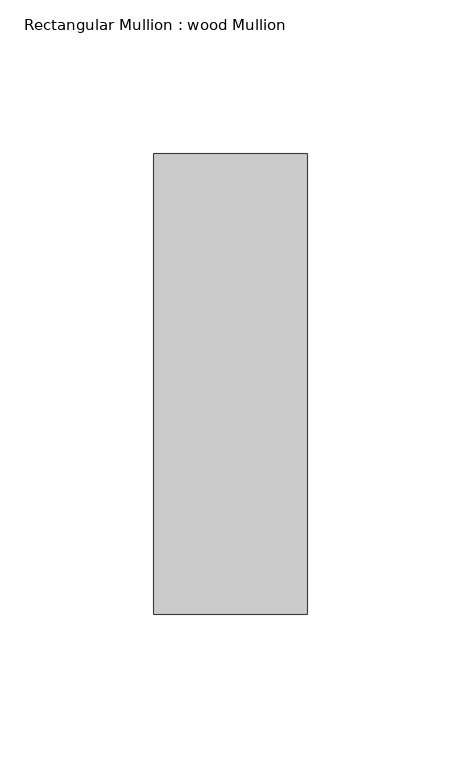
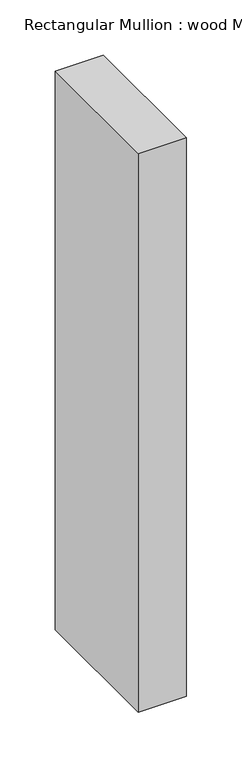
"""IFC4 building model written with IfcOpenShell, lengths in millimetres: member geometry, Rectangular Mullion : wood Mullion."""

from ifc_helpers import new_model, si_unit, frame, origin, place, context, project, spatial, polyline, outline, extrude, source, transform, mapped, element, save


def rectangular_mullion_wood_mullion_7b9306de(model_context):
    return source(origin(), model_context, "Body", "SweptSolid", [
        extrude(outline(polyline([(0.0, 75.0), (0.0, -75.0), (-50.0, -75.0), (-50.0, 75.0), (0.0, 75.0)])), frame((0.0, 0.0, -616.6666667), z_axis=(0.0, 0.0, 1.0), x_axis=(1.0, 0.0, 0.0)), (0.0, 0.0, 1.0), 616.6666667),
    ])


if __name__ == "__main__":
    model = new_model("IFC4")
    model_context = context("Model", 3, world=origin())
    ifc_project = project(units=[si_unit("LENGTHUNIT", "METRE", prefix="MILLI")], contexts=[model_context])
    site = spatial("IfcSite", under=ifc_project)
    building = spatial("IfcBuilding", under=site)
    placement = place(None, origin())
    rectangular_mullion_wood_mullion_shape = rectangular_mullion_wood_mullion_7b9306de(model_context)
    element("IfcMember", 1, ObjectType="Rectangular Mullion : wood Mullion", at=placement, inside=building, context=model_context, shape_type="MappedRepresentation", body=[
        mapped(rectangular_mullion_wood_mullion_shape, transform((0.0, 0.0, 0.0), x_axis=(1.0, 0.0, 0.0), y_axis=(0.0, 1.0, 0.0), z_axis=(0.0, 0.0, 1.0))),
    ])
    save(model, "model.ifc")
